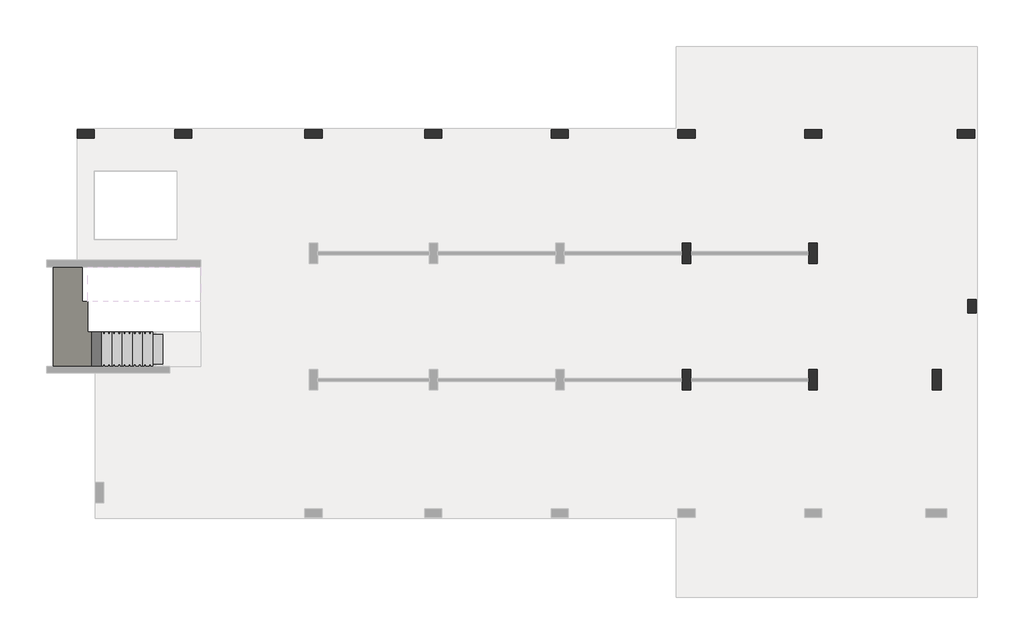
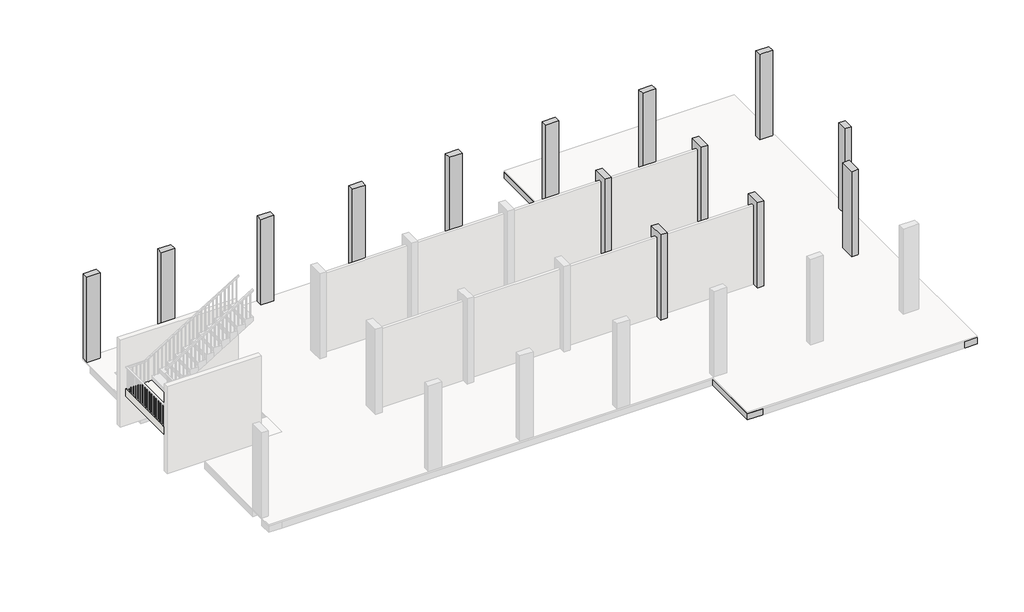
# One storey, part 4 of 5: 37 beams, 14 columns, 1 slab, 1 stair flight.
"""IFC4 building model written with IfcOpenShell, lengths in millimetres."""

from ifc_helpers import new_model, si_unit, frame, origin, place, context, project, spatial, polyline, outline, extrude, faceted_brep, element, save

model = new_model("IFC4")

# Units and contexts
model_context = context("Model", 3, world=origin())
ifc_project = project(units=[si_unit("LENGTHUNIT", "METRE", prefix="MILLI")], contexts=[model_context])

# Site, building, storey
site = spatial("IfcSite", under=ifc_project)
building = spatial("IfcBuilding", under=site)
storey = spatial("IfcBuildingStorey", under=building, Elevation=3500.0)

# Beams
placement = place(None, origin())
element("IfcBeam", 1, ObjectType="B 150 x 250 mm", at=placement, inside=storey, context=model_context, shape_type="SweptSolid", body=[
    extrude(outline(polyline([(18375.0390798, 153.106066), (18225.0390798, 153.106066), (18225.0390798, 2253.106066), (18375.0390798, 2253.106066), (18375.0390798, 153.106066)])), frame((0.0, 0.0, 3200.0), z_axis=(0.0, 0.0, 1.0), x_axis=(1.0, 0.0, 0.0)), (0.0, 0.0, 1.0), 250.0),
])
element("IfcBeam", 2, ObjectType="B 150 x 250 mm", at=placement, inside=storey, context=model_context, shape_type="SweptSolid", body=[
    extrude(outline(polyline([(18925.0390798, 153.106066), (18775.0390798, 153.106066), (18775.0390798, 2253.106066), (18925.0390798, 2253.106066), (18925.0390798, 153.106066)])), frame((0.0, 0.0, 3200.0), z_axis=(0.0, 0.0, 1.0), x_axis=(1.0, 0.0, 0.0)), (0.0, 0.0, 1.0), 250.0),
])
element("IfcBeam", 3, ObjectType="B 150 x 250 mm", at=placement, inside=storey, context=model_context, shape_type="SweptSolid", body=[
    extrude(outline(polyline([(19475.0390798, 153.106066), (19325.0390798, 153.106066), (19325.0390798, 2253.106066), (19475.0390798, 2253.106066), (19475.0390798, 153.106066)])), frame((0.0, 0.0, 3200.0), z_axis=(0.0, 0.0, 1.0), x_axis=(1.0, 0.0, 0.0)), (0.0, 0.0, 1.0), 250.0),
])
element("IfcBeam", 4, ObjectType="B 150 x 250 mm", at=placement, inside=storey, context=model_context, shape_type="SweptSolid", body=[
    extrude(outline(polyline([(20025.0390798, 153.106066), (19875.0390798, 153.106066), (19875.0390798, 2253.106066), (20025.0390798, 2253.106066), (20025.0390798, 153.106066)])), frame((0.0, 0.0, 3200.0), z_axis=(0.0, 0.0, 1.0), x_axis=(1.0, 0.0, 0.0)), (0.0, 0.0, 1.0), 250.0),
])
element("IfcBeam", 5, ObjectType="B 150 x 250 mm", at=placement, inside=storey, context=model_context, shape_type="SweptSolid", body=[
    extrude(outline(polyline([(20575.0390798, 153.106066), (20425.0390798, 153.106066), (20425.0390798, 2253.106066), (20575.0390798, 2253.106066), (20575.0390798, 153.106066)])), frame((0.0, 0.0, 3200.0), z_axis=(0.0, 0.0, 1.0), x_axis=(1.0, 0.0, 0.0)), (0.0, 0.0, 1.0), 250.0),
])
element("IfcBeam", 6, ObjectType="B 150 x 250 mm", at=placement, inside=storey, context=model_context, shape_type="SweptSolid", body=[
    extrude(outline(polyline([(21825.0195763, -346.893934), (21975.0195763, -346.893934), (21975.0195763, -3096.893934), (21825.0195763, -3096.893934), (21825.0195763, -346.893934)])), frame((0.0, 0.0, 3200.0), z_axis=(0.0, 0.0, 1.0), x_axis=(1.0, 0.0, 0.0)), (0.0, 0.0, 1.0), 250.0),
])
element("IfcBeam", 7, ObjectType="B 150 x 250 mm", at=placement, inside=storey, context=model_context, shape_type="SweptSolid", body=[
    extrude(outline(polyline([(22375.0195763, -346.893934), (22525.0195763, -346.893934), (22525.0195763, -3096.893934), (22375.0195763, -3096.893934), (22375.0195763, -346.893934)])), frame((0.0, 0.0, 3200.0), z_axis=(0.0, 0.0, 1.0), x_axis=(1.0, 0.0, 0.0)), (0.0, 0.0, 1.0), 250.0),
])
element("IfcBeam", 8, ObjectType="B 150 x 250 mm", at=placement, inside=storey, context=model_context, shape_type="SweptSolid", body=[
    extrude(outline(polyline([(22925.0195763, -346.893934), (23075.0195763, -346.893934), (23075.0195763, -3096.893934), (22925.0195763, -3096.893934), (22925.0195763, -346.893934)])), frame((0.0, 0.0, 3200.0), z_axis=(0.0, 0.0, 1.0), x_axis=(1.0, 0.0, 0.0)), (0.0, 0.0, 1.0), 250.0),
])
element("IfcBeam", 9, ObjectType="B 150 x 250 mm", at=placement, inside=storey, context=model_context, shape_type="SweptSolid", body=[
    extrude(outline(polyline([(23475.0195763, -346.893934), (23625.0195763, -346.893934), (23625.0195763, -3096.893934), (23475.0195763, -3096.893934), (23475.0195763, -346.893934)])), frame((0.0, 0.0, 3200.0), z_axis=(0.0, 0.0, 1.0), x_axis=(1.0, 0.0, 0.0)), (0.0, 0.0, 1.0), 250.0),
])
element("IfcBeam", 10, ObjectType="B 150 x 250 mm", at=placement, inside=storey, context=model_context, shape_type="SweptSolid", body=[
    extrude(outline(polyline([(24025.0195763, -346.893934), (24175.0195763, -346.893934), (24175.0195763, -3096.893934), (24025.0195763, -3096.893934), (24025.0195763, -346.893934)])), frame((0.0, 0.0, 3200.0), z_axis=(0.0, 0.0, 1.0), x_axis=(1.0, 0.0, 0.0)), (0.0, 0.0, 1.0), 250.0),
])
element("IfcBeam", 11, ObjectType="B 150 x 250 mm", at=placement, inside=storey, context=model_context, shape_type="SweptSolid", body=[
    extrude(outline(polyline([(24575.0195763, -346.893934), (24725.0195763, -346.893934), (24725.0195763, -3096.893934), (24575.0195763, -3096.893934), (24575.0195763, -346.893934)])), frame((0.0, 0.0, 3200.0), z_axis=(0.0, 0.0, 1.0), x_axis=(1.0, 0.0, 0.0)), (0.0, 0.0, 1.0), 250.0),
])
element("IfcBeam", 12, ObjectType="B 150 x 250 mm", at=placement, inside=storey, context=model_context, shape_type="SweptSolid", body=[
    extrude(outline(polyline([(25125.0195763, -346.893934), (25275.0195763, -346.893934), (25275.0195763, -3096.893934), (25125.0195763, -3096.893934), (25125.0195763, -346.893934)])), frame((0.0, 0.0, 3200.0), z_axis=(0.0, 0.0, 1.0), x_axis=(1.0, 0.0, 0.0)), (0.0, 0.0, 1.0), 250.0),
])
element("IfcBeam", 13, ObjectType="B 150 x 250 mm", at=placement, inside=storey, context=model_context, shape_type="SweptSolid", body=[
    extrude(outline(polyline([(18225.0390798, -346.893934), (18375.0390798, -346.893934), (18375.0390798, -3096.893934), (18225.0390798, -3096.893934), (18225.0390798, -346.893934)])), frame((0.0, 0.0, 3200.0), z_axis=(0.0, 0.0, 1.0), x_axis=(1.0, 0.0, 0.0)), (0.0, 0.0, 1.0), 250.0),
])
element("IfcBeam", 14, ObjectType="B 150 x 250 mm", at=placement, inside=storey, context=model_context, shape_type="SweptSolid", body=[
    extrude(outline(polyline([(18775.0390798, -346.893934), (18925.0390798, -346.893934), (18925.0390798, -3096.893934), (18775.0390798, -3096.893934), (18775.0390798, -346.893934)])), frame((0.0, 0.0, 3200.0), z_axis=(0.0, 0.0, 1.0), x_axis=(1.0, 0.0, 0.0)), (0.0, 0.0, 1.0), 250.0),
])
element("IfcBeam", 15, ObjectType="B 150 x 250 mm", at=placement, inside=storey, context=model_context, shape_type="SweptSolid", body=[
    extrude(outline(polyline([(19325.0390798, -346.893934), (19475.0390798, -346.893934), (19475.0390798, -3096.893934), (19325.0390798, -3096.893934), (19325.0390798, -346.893934)])), frame((0.0, 0.0, 3200.0), z_axis=(0.0, 0.0, 1.0), x_axis=(1.0, 0.0, 0.0)), (0.0, 0.0, 1.0), 250.0),
])
element("IfcBeam", 16, ObjectType="B 150 x 250 mm", at=placement, inside=storey, context=model_context, shape_type="SweptSolid", body=[
    extrude(outline(polyline([(19875.0390798, -346.893934), (20025.0390798, -346.893934), (20025.0390798, -3096.893934), (19875.0390798, -3096.893934), (19875.0390798, -346.893934)])), frame((0.0, 0.0, 3200.0), z_axis=(0.0, 0.0, 1.0), x_axis=(1.0, 0.0, 0.0)), (0.0, 0.0, 1.0), 250.0),
])
element("IfcBeam", 17, ObjectType="B 150 x 250 mm", at=placement, inside=storey, context=model_context, shape_type="SweptSolid", body=[
    extrude(outline(polyline([(20425.0390798, -346.893934), (20575.0390798, -346.893934), (20575.0390798, -3096.893934), (20425.0390798, -3096.893934), (20425.0390798, -346.893934)])), frame((0.0, 0.0, 3200.0), z_axis=(0.0, 0.0, 1.0), x_axis=(1.0, 0.0, 0.0)), (0.0, 0.0, 1.0), 250.0),
])
element("IfcBeam", 18, ObjectType="B 150 x 250 mm", at=placement, inside=storey, context=model_context, shape_type="SweptSolid", body=[
    extrude(outline(polyline([(21825.0195763, -3896.893934), (21975.0195763, -3896.893934), (21975.0195763, -6796.8939341), (21825.0195763, -6796.8939341), (21825.0195763, -3896.893934)])), frame((0.0, 0.0, 3200.0), z_axis=(0.0, 0.0, 1.0), x_axis=(1.0, 0.0, 0.0)), (0.0, 0.0, 1.0), 250.0),
])
element("IfcBeam", 19, ObjectType="B 150 x 250 mm", at=placement, inside=storey, context=model_context, shape_type="SweptSolid", body=[
    extrude(outline(polyline([(22375.0195763, -3896.893934), (22525.0195763, -3896.893934), (22525.0195763, -6796.8939341), (22375.0195763, -6796.8939341), (22375.0195763, -3896.893934)])), frame((0.0, 0.0, 3200.0), z_axis=(0.0, 0.0, 1.0), x_axis=(1.0, 0.0, 0.0)), (0.0, 0.0, 1.0), 250.0),
])
element("IfcBeam", 20, ObjectType="B 150 x 250 mm", at=placement, inside=storey, context=model_context, shape_type="SweptSolid", body=[
    extrude(outline(polyline([(22925.0195763, -3896.893934), (23075.0195763, -3896.893934), (23075.0195763, -6796.8939341), (22925.0195763, -6796.8939341), (22925.0195763, -3896.893934)])), frame((0.0, 0.0, 3200.0), z_axis=(0.0, 0.0, 1.0), x_axis=(1.0, 0.0, 0.0)), (0.0, 0.0, 1.0), 250.0),
])
element("IfcBeam", 21, ObjectType="B 150 x 250 mm", at=placement, inside=storey, context=model_context, shape_type="SweptSolid", body=[
    extrude(outline(polyline([(23475.0195763, -3896.893934), (23625.0195763, -3896.893934), (23625.0195763, -6796.8939341), (23475.0195763, -6796.8939341), (23475.0195763, -3896.893934)])), frame((0.0, 0.0, 3200.0), z_axis=(0.0, 0.0, 1.0), x_axis=(1.0, 0.0, 0.0)), (0.0, 0.0, 1.0), 250.0),
])
element("IfcBeam", 22, ObjectType="B 150 x 250 mm", at=placement, inside=storey, context=model_context, shape_type="SweptSolid", body=[
    extrude(outline(polyline([(24025.0195763, -3896.893934), (24175.0195763, -3896.893934), (24175.0195763, -6796.8939341), (24025.0195763, -6796.8939341), (24025.0195763, -3896.893934)])), frame((0.0, 0.0, 3200.0), z_axis=(0.0, 0.0, 1.0), x_axis=(1.0, 0.0, 0.0)), (0.0, 0.0, 1.0), 250.0),
])
element("IfcBeam", 23, ObjectType="B 150 x 250 mm", at=placement, inside=storey, context=model_context, shape_type="SweptSolid", body=[
    extrude(outline(polyline([(24575.0195763, -3896.893934), (24725.0195763, -3896.893934), (24725.0195763, -6796.8939341), (24575.0195763, -6796.8939341), (24575.0195763, -3896.893934)])), frame((0.0, 0.0, 3200.0), z_axis=(0.0, 0.0, 1.0), x_axis=(1.0, 0.0, 0.0)), (0.0, 0.0, 1.0), 250.0),
])
element("IfcBeam", 24, ObjectType="B 150 x 250 mm", at=placement, inside=storey, context=model_context, shape_type="SweptSolid", body=[
    extrude(outline(polyline([(25125.0195763, -3896.893934), (25275.0195763, -3896.893934), (25275.0195763, -6796.8939341), (25125.0195763, -6796.8939341), (25125.0195763, -3896.893934)])), frame((0.0, 0.0, 3200.0), z_axis=(0.0, 0.0, 1.0), x_axis=(1.0, 0.0, 0.0)), (0.0, 0.0, 1.0), 250.0),
])
element("IfcBeam", 25, ObjectType="B 150 x 250 mm", at=placement, inside=storey, context=model_context, shape_type="SweptSolid", body=[
    extrude(outline(polyline([(18225.0390798, -3896.893934), (18375.0390798, -3896.893934), (18375.0390798, -6796.8939341), (18225.0390798, -6796.8939341), (18225.0390798, -3896.893934)])), frame((0.0, 0.0, 3200.0), z_axis=(0.0, 0.0, 1.0), x_axis=(1.0, 0.0, 0.0)), (0.0, 0.0, 1.0), 250.0),
])
element("IfcBeam", 26, ObjectType="B 150 x 250 mm", at=placement, inside=storey, context=model_context, shape_type="SweptSolid", body=[
    extrude(outline(polyline([(18775.0390798, -3896.893934), (18925.0390798, -3896.893934), (18925.0390798, -6796.8939341), (18775.0390798, -6796.8939341), (18775.0390798, -3896.893934)])), frame((0.0, 0.0, 3200.0), z_axis=(0.0, 0.0, 1.0), x_axis=(1.0, 0.0, 0.0)), (0.0, 0.0, 1.0), 250.0),
])
element("IfcBeam", 27, ObjectType="B 150 x 250 mm", at=placement, inside=storey, context=model_context, shape_type="SweptSolid", body=[
    extrude(outline(polyline([(19325.0390798, -3896.893934), (19475.0390798, -3896.893934), (19475.0390798, -6796.8939341), (19325.0390798, -6796.8939341), (19325.0390798, -3896.893934)])), frame((0.0, 0.0, 3200.0), z_axis=(0.0, 0.0, 1.0), x_axis=(1.0, 0.0, 0.0)), (0.0, 0.0, 1.0), 250.0),
])
element("IfcBeam", 28, ObjectType="B 150 x 250 mm", at=placement, inside=storey, context=model_context, shape_type="SweptSolid", body=[
    extrude(outline(polyline([(19875.0390798, -3896.893934), (20025.0390798, -3896.893934), (20025.0390798, -6796.8939341), (19875.0390798, -6796.8939341), (19875.0390798, -3896.893934)])), frame((0.0, 0.0, 3200.0), z_axis=(0.0, 0.0, 1.0), x_axis=(1.0, 0.0, 0.0)), (0.0, 0.0, 1.0), 250.0),
])
element("IfcBeam", 29, ObjectType="B 150 x 250 mm", at=placement, inside=storey, context=model_context, shape_type="SweptSolid", body=[
    extrude(outline(polyline([(20425.0390798, -3896.893934), (20575.0390798, -3896.893934), (20575.0390798, -6796.8939341), (20425.0390798, -6796.8939341), (20425.0390798, -3896.893934)])), frame((0.0, 0.0, 3200.0), z_axis=(0.0, 0.0, 1.0), x_axis=(1.0, 0.0, 0.0)), (0.0, 0.0, 1.0), 250.0),
])
element("IfcBeam", 30, ObjectType="B 150 x 250 mm", at=placement, inside=storey, context=model_context, shape_type="SweptSolid", body=[
    extrude(outline(polyline([(16175.0390798, -346.893934), (16325.0390798, -346.893934), (16325.0390798, -3096.893934), (16175.0390798, -3096.893934), (16175.0390798, -346.893934)])), frame((0.0, 0.0, 3200.0), z_axis=(0.0, 0.0, 1.0), x_axis=(1.0, 0.0, 0.0)), (0.0, 0.0, 1.0), 250.0),
])
element("IfcBeam", 31, ObjectType="B 150 x 250 mm", at=placement, inside=storey, context=model_context, shape_type="SweptSolid", body=[
    extrude(outline(polyline([(16725.0390798, -346.893934), (16875.0390798, -346.893934), (16875.0390798, -3096.893934), (16725.0390798, -3096.893934), (16725.0390798, -346.893934)])), frame((0.0, 0.0, 3200.0), z_axis=(0.0, 0.0, 1.0), x_axis=(1.0, 0.0, 0.0)), (0.0, 0.0, 1.0), 250.0),
])
element("IfcBeam", 32, ObjectType="B 150 x 250 mm", at=placement, inside=storey, context=model_context, shape_type="SweptSolid", body=[
    extrude(outline(polyline([(16175.0390798, -3896.893934), (16325.0390798, -3896.893934), (16325.0390798, -6796.8939341), (16175.0390798, -6796.8939341), (16175.0390798, -3896.893934)])), frame((0.0, 0.0, 3200.0), z_axis=(0.0, 0.0, 1.0), x_axis=(1.0, 0.0, 0.0)), (0.0, 0.0, 1.0), 250.0),
])
element("IfcBeam", 33, ObjectType="B 150 x 250 mm", at=placement, inside=storey, context=model_context, shape_type="SweptSolid", body=[
    extrude(outline(polyline([(16725.0390798, -3896.893934), (16875.0390798, -3896.893934), (16875.0390798, -6796.8939341), (16725.0390798, -6796.8939341), (16725.0390798, -3896.893934)])), frame((0.0, 0.0, 3200.0), z_axis=(0.0, 0.0, 1.0), x_axis=(1.0, 0.0, 0.0)), (0.0, 0.0, 1.0), 250.0),
])
element("IfcBeam", 34, ObjectType="B5 500 x 250 mm", at=placement, inside=storey, context=model_context, shape_type="Brep", body=[
    faceted_brep([(26050.0000727, 2553.106066, 3450.0), (26050.0000727, 2553.106066, 3200.0), (25550.0000727, 2553.106066, 3200.0), (25550.0000727, 2553.106066, 3450.0), (25550.0000727, 2253.106066, 3450.0), (25550.0000727, 153.106066, 3450.0), (25550.0000727, 125.0, 3450.0), (25966.5, 125.0, 3450.0), (25966.5, -125.0, 3450.0), (25550.0000727, -125.0, 3450.0), (25550.0000727, -346.893934, 3450.0), (25550.0000727, -3096.893934, 3450.0), (25550.0000727, -3896.893934, 3450.0), (25550.0000727, -6796.8939341, 3450.0), (25550.0000727, -7596.8939341, 3450.0), (25550.0000727, -10746.893934, 3450.0), (25550.0000727, -11246.893934, 3450.0), (25550.0000727, -13246.8939341, 3450.0), (25550.0000727, -13546.8939341, 3450.0), (26050.0000727, -13546.8939341, 3450.0), (25766.5, -4846.8939341, 3450.0), (26016.5, -4846.8939341, 3450.0), (26016.5, -5246.8939341, 3450.0), (25766.5, -5246.8939341, 3450.0), (25550.0000727, -13546.8939341, 3200.0), (25550.0000727, -125.0, 3200.0), (25550.0000727, -346.893934, 3200.0), (25550.0000727, -3096.893934, 3200.0), (25550.0000727, -3896.893934, 3200.0), (25550.0000727, -6796.8939341, 3200.0), (25550.0000727, -7596.8939341, 3200.0), (25550.0000727, -10746.893934, 3200.0), (25550.0000727, -11246.893934, 3200.0), (25550.0000727, -13246.8939341, 3200.0), (26050.0000727, -13546.8939341, 3200.0), (25966.5, -125.0, 3200.0), (25966.5, 125.0, 3200.0), (25550.0000727, 125.0, 3200.0), (25550.0000727, 153.106066, 3200.0), (25550.0000727, 2253.106066, 3200.0), (26016.5, -4846.8939341, 3200.0), (25766.5, -4846.8939341, 3200.0), (25766.5, -5246.8939341, 3200.0), (26016.5, -5246.8939341, 3200.0)], [[[0, 1, 2, 3]], [[0, 3, 4, 5, 6, 7, 8, 9, 10, 11, 12, 13, 14, 15, 16, 17, 18, 19], [20, 21, 22, 23]], [[24, 18, 17, 16, 15, 14, 13, 12, 11, 10, 9, 25, 26, 27, 28, 29, 30, 31, 32, 33]], [[2, 1, 34, 24, 33, 32, 31, 30, 29, 28, 27, 26, 25, 35, 36, 37, 38, 39], [40, 41, 42, 43]], [[1, 0, 19, 34]], [[40, 21, 20, 41]], [[41, 20, 23, 42]], [[21, 40, 43, 22]], [[8, 35, 25, 9]], [[35, 8, 7, 36]], [[36, 7, 6, 37]], [[3, 2, 39, 38, 37, 6, 5, 4]], [[22, 43, 42, 23]], [[19, 18, 24, 34]]]),
])
element("IfcBeam", 35, ObjectType="B6 600 x 250 mm", at=placement, inside=storey, context=model_context, shape_type="Brep", body=[
    faceted_brep([(17250.0390798, 2553.106066, 3450.0), (17850.0390798, 2553.106066, 3450.0), (17850.0390798, 2553.106066, 3200.0), (17250.0390798, 2553.106066, 3200.0), (17250.0390798, 153.106066, 3450.0), (17850.0390798, 153.106066, 3450.0), (17850.0390798, 2253.106066, 3450.0), (17850.0390798, 153.106066, 3200.0), (17850.0390798, 2253.106066, 3200.0), (17250.0390798, 153.106066, 3200.0)], [[[0, 1, 2, 3]], [[1, 0, 4, 5, 6]], [[2, 1, 6, 5, 7, 8]], [[3, 2, 8, 7, 9]], [[0, 3, 9, 4]], [[5, 4, 9, 7]]]),
    faceted_brep([(17250.0390798, -13546.8939341, 3450.0), (17250.0390798, -13546.8939341, 3200.0), (17850.0390798, -13546.8939341, 3200.0), (17850.0390798, -13546.8939341, 3450.0), (17250.0390798, -11246.893934, 3450.0), (17850.0390798, -11246.893934, 3450.0), (17850.0390798, -11246.893934, 3200.0), (17250.0390798, -11246.893934, 3200.0), (17850.0390798, -13246.8939341, 3450.0), (17850.0390798, -13246.8939341, 3200.0)], [[[0, 1, 2, 3]], [[4, 5, 6, 7]], [[0, 3, 8, 5, 4]], [[3, 2, 9, 6, 5, 8]], [[2, 1, 7, 6, 9]], [[1, 0, 4, 7]]]),
    faceted_brep([(17850.0390798, -10746.893934, 3450.0), (17250.0390798, -10746.893934, 3450.0), (17250.0390798, -10746.893934, 3200.0), (17850.0390798, -10746.893934, 3200.0), (17250.0390798, -7596.8939341, 3450.0), (17850.0390798, -7596.8939341, 3450.0), (17850.0390798, -7596.8939341, 3200.0), (17250.0390798, -7596.8939341, 3200.0)], [[[0, 1, 2, 3]], [[4, 5, 6, 7]], [[1, 0, 5, 4]], [[0, 3, 6, 5]], [[3, 2, 7, 6]], [[2, 1, 4, 7]]]),
    faceted_brep([(17850.0390798, -6796.8939341, 3450.0), (17250.0390798, -6796.8939341, 3450.0), (17250.0390798, -6796.8939341, 3200.0), (17850.0390798, -6796.8939341, 3200.0), (17250.0390798, -3896.893934, 3450.0), (17850.0390798, -3896.893934, 3450.0), (17850.0390798, -3896.893934, 3200.0), (17250.0390798, -3896.893934, 3200.0)], [[[0, 1, 2, 3]], [[4, 5, 6, 7]], [[1, 0, 5, 4]], [[0, 3, 6, 5]], [[3, 2, 7, 6]], [[2, 1, 4, 7]]]),
    faceted_brep([(17850.0390798, -3096.893934, 3450.0), (17250.0390798, -3096.893934, 3450.0), (17250.0390798, -3096.893934, 3200.0), (17850.0390798, -3096.893934, 3200.0), (17250.0390798, -346.893934, 3450.0), (17850.0390798, -346.893934, 3450.0), (17850.0390798, -346.893934, 3200.0), (17250.0390798, -346.893934, 3200.0)], [[[0, 1, 2, 3]], [[4, 5, 6, 7]], [[1, 0, 5, 4]], [[0, 3, 6, 5]], [[3, 2, 7, 6]], [[2, 1, 4, 7]]]),
])
element("IfcBeam", 36, ObjectType="B6 600 x 250 mm", at=placement, inside=storey, context=model_context, shape_type="Brep", body=[
    faceted_brep([(20950.0390798, 2553.106066, 3450.0), (21550.0390798, 2553.106066, 3450.0), (21550.0390798, 2553.106066, 3200.0), (20950.0390798, 2553.106066, 3200.0), (20950.0390798, 2253.106066, 3450.0), (20950.0390798, 153.106066, 3450.0), (21550.0390798, 153.106066, 3450.0), (21550.0390798, 2253.106066, 3450.0), (21550.0390798, 153.106066, 3200.0), (21550.0390798, 2253.106066, 3200.0), (20950.0390798, 153.106066, 3200.0), (20950.0390798, 2253.106066, 3200.0)], [[[0, 1, 2, 3]], [[1, 0, 4, 5, 6, 7]], [[2, 1, 7, 6, 8, 9]], [[3, 2, 9, 8, 10, 11]], [[0, 3, 11, 10, 5, 4]], [[6, 5, 10, 8]]]),
    faceted_brep([(20950.0390798, -11246.893934, 3450.0), (21550.0390798, -11246.893934, 3450.0), (21550.0390798, -11246.893934, 3200.0), (20950.0390798, -11246.893934, 3200.0), (20950.0390798, -13246.8939341, 3450.0), (21550.0390798, -13246.8939341, 3450.0), (21550.0390798, -13246.8939341, 3200.0), (20950.0390798, -13246.8939341, 3200.0)], [[[0, 1, 2, 3]], [[1, 0, 4, 5]], [[2, 1, 5, 6]], [[3, 2, 6, 7]], [[0, 3, 7, 4]], [[5, 4, 7, 6]]]),
    faceted_brep([(21550.0390798, -10746.893934, 3450.0), (20950.0390798, -10746.893934, 3450.0), (20950.0390798, -10746.893934, 3200.0), (21550.0390798, -10746.893934, 3200.0), (20950.0390798, -7596.8939341, 3450.0), (21550.0390798, -7596.8939341, 3450.0), (21550.0390798, -7596.8939341, 3200.0), (20950.0390798, -7596.8939341, 3200.0)], [[[0, 1, 2, 3]], [[4, 5, 6, 7]], [[1, 0, 5, 4]], [[0, 3, 6, 5]], [[3, 2, 7, 6]], [[2, 1, 4, 7]]]),
    faceted_brep([(21550.0390798, -6796.8939341, 3450.0), (20950.0390798, -6796.8939341, 3450.0), (20950.0390798, -6796.8939341, 3200.0), (21550.0390798, -6796.8939341, 3200.0), (20950.0390798, -3896.893934, 3450.0), (21550.0390798, -3896.893934, 3450.0), (21550.0390798, -3896.893934, 3200.0), (20950.0390798, -3896.893934, 3200.0)], [[[0, 1, 2, 3]], [[4, 5, 6, 7]], [[1, 0, 5, 4]], [[0, 3, 6, 5]], [[3, 2, 7, 6]], [[2, 1, 4, 7]]]),
    faceted_brep([(21550.0390798, -3096.893934, 3450.0), (20950.0390798, -3096.893934, 3450.0), (20950.0390798, -3096.893934, 3200.0), (21550.0390798, -3096.893934, 3200.0), (20950.0390798, -346.893934, 3450.0), (21550.0390798, -346.893934, 3450.0), (21550.0390798, -346.893934, 3200.0), (20950.0390798, -346.893934, 3200.0)], [[[0, 1, 2, 3]], [[4, 5, 6, 7]], [[1, 0, 5, 4]], [[0, 3, 6, 5]], [[3, 2, 7, 6]], [[2, 1, 4, 7]]]),
])
element("IfcBeam", 37, ObjectType="B7 300 x 250 mm", at=placement, inside=storey, context=model_context, shape_type="Brep", body=[
    faceted_brep([(25550.0000727, 2553.106066, 3450.0), (25550.0000727, 2253.106066, 3450.0), (25550.0000727, 2253.106066, 3200.0), (25550.0000727, 2553.106066, 3200.0), (21550.0390798, 2553.106066, 3450.0), (21550.0390798, 2253.106066, 3450.0), (21825.0195763, 2253.106066, 3450.0), (21975.0195763, 2253.106066, 3450.0), (22375.0195763, 2253.106066, 3450.0), (22525.0195763, 2253.106066, 3450.0), (22925.0195763, 2253.106066, 3450.0), (23075.0195763, 2253.106066, 3450.0), (23475.0195763, 2253.106066, 3450.0), (23625.0195763, 2253.106066, 3450.0), (24025.0195763, 2253.106066, 3450.0), (24175.0195763, 2253.106066, 3450.0), (24575.0195763, 2253.106066, 3450.0), (24725.0195763, 2253.106066, 3450.0), (25125.0195763, 2253.106066, 3450.0), (25275.0195763, 2253.106066, 3450.0), (21550.0390798, 2253.106066, 3200.0), (21825.0195763, 2253.106066, 3200.0), (21975.0195763, 2253.106066, 3200.0), (22375.0195763, 2253.106066, 3200.0), (22525.0195763, 2253.106066, 3200.0), (22925.0195763, 2253.106066, 3200.0), (23075.0195763, 2253.106066, 3200.0), (23475.0195763, 2253.106066, 3200.0), (23625.0195763, 2253.106066, 3200.0), (24025.0195763, 2253.106066, 3200.0), (24175.0195763, 2253.106066, 3200.0), (24575.0195763, 2253.106066, 3200.0), (24725.0195763, 2253.106066, 3200.0), (25125.0195763, 2253.106066, 3200.0), (25275.0195763, 2253.106066, 3200.0), (21550.0390798, 2553.106066, 3200.0)], [[[0, 1, 2, 3]], [[1, 0, 4, 5, 6, 7, 8, 9, 10, 11, 12, 13, 14, 15, 16, 17, 18, 19]], [[2, 1, 19, 18, 17, 16, 15, 14, 13, 12, 11, 10, 9, 8, 7, 6, 5, 20, 21, 22, 23, 24, 25, 26, 27, 28, 29, 30, 31, 32, 33, 34]], [[3, 2, 34, 33, 32, 31, 30, 29, 28, 27, 26, 25, 24, 23, 22, 21, 20, 35]], [[0, 3, 35, 4]], [[5, 4, 35, 20]]]),
    faceted_brep([(17850.0390798, 2553.106066, 3450.0), (17850.0390798, 2553.106066, 3200.0), (17850.0390798, 2253.106066, 3200.0), (17850.0390798, 2253.106066, 3450.0), (20950.0390798, 2553.106066, 3450.0), (20950.0390798, 2253.106066, 3450.0), (20950.0390798, 2253.106066, 3200.0), (20950.0390798, 2553.106066, 3200.0), (18225.0390798, 2253.106066, 3450.0), (18375.0390798, 2253.106066, 3450.0), (18775.0390798, 2253.106066, 3450.0), (18925.0390798, 2253.106066, 3450.0), (19325.0390798, 2253.106066, 3450.0), (19475.0390798, 2253.106066, 3450.0), (19875.0390798, 2253.106066, 3450.0), (20025.0390798, 2253.106066, 3450.0), (20425.0390798, 2253.106066, 3450.0), (20575.0390798, 2253.106066, 3450.0), (18225.0390798, 2253.106066, 3200.0), (18375.0390798, 2253.106066, 3200.0), (18775.0390798, 2253.106066, 3200.0), (18925.0390798, 2253.106066, 3200.0), (19325.0390798, 2253.106066, 3200.0), (19475.0390798, 2253.106066, 3200.0), (19875.0390798, 2253.106066, 3200.0), (20025.0390798, 2253.106066, 3200.0), (20425.0390798, 2253.106066, 3200.0), (20575.0390798, 2253.106066, 3200.0)], [[[0, 1, 2, 3]], [[4, 5, 6, 7]], [[0, 3, 8, 9, 10, 11, 12, 13, 14, 15, 16, 17, 5, 4]], [[3, 2, 18, 19, 20, 21, 22, 23, 24, 25, 26, 27, 6, 5, 17, 16, 15, 14, 13, 12, 11, 10, 9, 8]], [[2, 1, 7, 6, 27, 26, 25, 24, 23, 22, 21, 20, 19, 18]], [[1, 0, 4, 7]]]),
])

# Columns
element("IfcColumn", 38, ObjectType="C1 25 x 50mm", at=placement, inside=storey, context=model_context, shape_type="SweptSolid", body=[
    extrude(outline(polyline([(-250.0, 128.106066), (250.0, 128.106066), (250.0, -121.893934), (-250.0, -121.893934), (-250.0, 128.106066)])), frame((0.0, 0.0, 3500.0), z_axis=(0.0, 0.0, 1.0), x_axis=(1.0, 0.0, 0.0)), (0.0, 0.0, 1.0), 3450.0),
])
element("IfcColumn", 39, ObjectType="C1 25 x 50mm", at=placement, inside=storey, context=model_context, shape_type="SweptSolid", body=[
    extrude(outline(polyline([(2600.0, 128.106066), (3100.0, 128.106066), (3100.0, -121.893934), (2600.0, -121.893934), (2600.0, 128.106066)])), frame((0.0, 0.0, 3500.0), z_axis=(0.0, 0.0, 1.0), x_axis=(1.0, 0.0, 0.0)), (0.0, 0.0, 1.0), 3450.0),
])
element("IfcColumn", 40, ObjectType="C1 25 x 50mm", at=placement, inside=storey, context=model_context, shape_type="SweptSolid", body=[
    extrude(outline(polyline([(6400.0390798, 128.106066), (6900.0390798, 128.106066), (6900.0390798, -121.893934), (6400.0390798, -121.893934), (6400.0390798, 128.106066)])), frame((0.0, 0.0, 3500.0), z_axis=(0.0, 0.0, 1.0), x_axis=(1.0, 0.0, 0.0)), (0.0, 0.0, 1.0), 3450.0),
])
element("IfcColumn", 41, ObjectType="C1 25 x 50mm", at=placement, inside=storey, context=model_context, shape_type="SweptSolid", body=[
    extrude(outline(polyline([(9900.0390798, 128.106066), (10400.0390798, 128.106066), (10400.0390798, -121.893934), (9900.0390798, -121.893934), (9900.0390798, 128.106066)])), frame((0.0, 0.0, 3500.0), z_axis=(0.0, 0.0, 1.0), x_axis=(1.0, 0.0, 0.0)), (0.0, 0.0, 1.0), 3450.0),
])
element("IfcColumn", 42, ObjectType="C1 25 x 50mm", at=placement, inside=storey, context=model_context, shape_type="SweptSolid", body=[
    extrude(outline(polyline([(13600.0390798, 128.106066), (14100.0390798, 128.106066), (14100.0390798, -121.893934), (13600.0390798, -121.893934), (13600.0390798, 128.106066)])), frame((0.0, 0.0, 3500.0), z_axis=(0.0, 0.0, 1.0), x_axis=(1.0, 0.0, 0.0)), (0.0, 0.0, 1.0), 3450.0),
])
element("IfcColumn", 43, ObjectType="C1 25 x 50mm", at=placement, inside=storey, context=model_context, shape_type="SweptSolid", body=[
    extrude(outline(polyline([(17300.0390798, 128.106066), (17800.0390798, 128.106066), (17800.0390798, -121.893934), (17300.0390798, -121.893934), (17300.0390798, 128.106066)])), frame((0.0, 0.0, 3500.0), z_axis=(0.0, 0.0, 1.0), x_axis=(1.0, 0.0, 0.0)), (0.0, 0.0, 1.0), 3450.0),
])
element("IfcColumn", 44, ObjectType="C1 25 x 50mm", at=placement, inside=storey, context=model_context, shape_type="SweptSolid", body=[
    extrude(outline(polyline([(21000.0390798, 128.106066), (21500.0390798, 128.106066), (21500.0390798, -121.893934), (21000.0390798, -121.893934), (21000.0390798, 128.106066)])), frame((0.0, 0.0, 3500.0), z_axis=(0.0, 0.0, 1.0), x_axis=(1.0, 0.0, 0.0)), (0.0, 0.0, 1.0), 3450.0),
])
element("IfcColumn", 45, ObjectType="C1 25 x 50mm", at=placement, inside=storey, context=model_context, shape_type="Brep", body=[
    faceted_brep([(25466.5, 125.0, 3500.0), (25966.5, 125.0, 3500.0), (25966.5, -125.0, 3500.0), (25466.5, -125.0, 3500.0), (25466.5, -125.0, 6950.0), (25466.5, 125.0, 6950.0), (25966.5, -125.0, 6700.0), (25966.5, -125.0, 6950.0), (25550.0000727, -125.0, 6950.0), (25966.5, 125.0, 6700.0), (25966.5, 125.0, 6950.0), (25550.0000727, 125.0, 6950.0)], [[[0, 1, 2, 3]], [[0, 3, 4, 5]], [[3, 2, 6, 7, 8, 4]], [[2, 1, 9, 10, 7, 6]], [[1, 0, 5, 11, 10, 9]], [[5, 4, 8, 7, 10, 11]]]),
])
element("IfcColumn", 46, ObjectType="C2 25 x 60 mm", at=placement, inside=storey, context=model_context, shape_type="Brep", body=[
    faceted_brep([(17675.0390798, -3195.451857, 3500.0), (17675.0390798, -3445.451857, 3500.0), (17675.0390798, -3545.451857, 3500.0), (17675.0390798, -3795.451857, 3500.0), (17425.0390798, -3795.451857, 3500.0), (17425.0390798, -3545.451857, 3500.0), (17425.0390798, -3445.451857, 3500.0), (17425.0390798, -3195.451857, 3500.0), (17425.0390798, -3195.451857, 6700.0), (17425.0390798, -3195.451857, 6950.0), (17675.0390798, -3195.451857, 6950.0), (17675.0390798, -3195.451857, 6700.0), (17425.0390798, -3795.451857, 6700.0), (17425.0390798, -3795.451857, 6950.0), (17675.0390798, -3795.451857, 6700.0), (17675.0390798, -3795.451857, 6950.0)], [[[0, 1, 2, 3, 4, 5, 6, 7]], [[0, 7, 8, 9, 10, 11]], [[7, 6, 5, 4, 12, 13, 9, 8]], [[4, 3, 14, 15, 13, 12]], [[3, 2, 1, 0, 11, 10, 15, 14]], [[10, 9, 13, 15]]]),
])
element("IfcColumn", 47, ObjectType="C2 25 x 60 mm", at=placement, inside=storey, context=model_context, shape_type="Brep", body=[
    faceted_brep([(24985.2850434, -6896.8939341, 3500.0), (24985.2850434, -7496.8939341, 3500.0), (24735.2850434, -7496.8939341, 3500.0), (24735.2850434, -6896.8939341, 3500.0), (24735.2850434, -6896.8939341, 6700.0), (24735.2850434, -6896.8939341, 6950.0), (24985.2850434, -6896.8939341, 6950.0), (24985.2850434, -6896.8939341, 6700.0), (24735.2850434, -7496.8939341, 6700.0), (24735.2850434, -7496.8939341, 6950.0), (24985.2850434, -7496.8939341, 6700.0), (24985.2850434, -7496.8939341, 6950.0)], [[[0, 1, 2, 3]], [[0, 3, 4, 5, 6, 7]], [[3, 2, 8, 9, 5, 4]], [[2, 1, 10, 11, 9, 8]], [[1, 0, 7, 6, 11, 10]], [[6, 5, 9, 11]]]),
])
element("IfcColumn", 48, ObjectType="C2 25 x 60 mm", at=placement, inside=storey, context=model_context, shape_type="Brep", body=[
    faceted_brep([(21375.0390798, -6896.8939341, 3500.0), (21375.0390798, -7496.8939341, 3500.0), (21125.0390798, -7496.8939341, 3500.0), (21125.0390798, -7246.8939341, 3500.0), (21125.0390798, -7146.8939341, 3500.0), (21125.0390798, -6896.8939341, 3500.0), (21125.0390798, -6896.8939341, 6700.0), (21125.0390798, -6896.8939341, 6950.0), (21375.0390798, -6896.8939341, 6950.0), (21375.0390798, -6896.8939341, 6700.0), (21125.0390798, -7496.8939341, 6700.0), (21125.0390798, -7496.8939341, 6950.0), (21375.0390798, -7496.8939341, 6700.0), (21375.0390798, -7496.8939341, 6950.0)], [[[0, 1, 2, 3, 4, 5]], [[0, 5, 6, 7, 8, 9]], [[5, 4, 3, 2, 10, 11, 7, 6]], [[2, 1, 12, 13, 11, 10]], [[1, 0, 9, 8, 13, 12]], [[8, 7, 11, 13]]]),
])
element("IfcColumn", 49, ObjectType="C2 25 x 60 mm", at=placement, inside=storey, context=model_context, shape_type="Brep", body=[
    faceted_brep([(17675.0390798, -6896.8939341, 3500.0), (17675.0390798, -7146.8939341, 3500.0), (17675.0390798, -7246.8939341, 3500.0), (17675.0390798, -7496.8939341, 3500.0), (17425.0390798, -7496.8939341, 3500.0), (17425.0390798, -7246.8939341, 3500.0), (17425.0390798, -7146.8939341, 3500.0), (17425.0390798, -6896.8939341, 3500.0), (17425.0390798, -6896.8939341, 6700.0), (17425.0390798, -6896.8939341, 6950.0), (17675.0390798, -6896.8939341, 6950.0), (17675.0390798, -6896.8939341, 6700.0), (17425.0390798, -7496.8939341, 6700.0), (17425.0390798, -7496.8939341, 6950.0), (17675.0390798, -7496.8939341, 6700.0), (17675.0390798, -7496.8939341, 6950.0)], [[[0, 1, 2, 3, 4, 5, 6, 7]], [[0, 7, 8, 9, 10, 11]], [[7, 6, 5, 4, 12, 13, 9, 8]], [[4, 3, 14, 15, 13, 12]], [[3, 2, 1, 0, 11, 10, 15, 14]], [[10, 9, 13, 15]]]),
])
element("IfcColumn", 50, ObjectType="C2 25 x 60 mm", at=placement, inside=storey, context=model_context, shape_type="Brep", body=[
    faceted_brep([(21375.0390798, -3195.451857, 3500.0), (21375.0390798, -3795.451857, 3500.0), (21125.0390798, -3795.451857, 3500.0), (21125.0390798, -3545.451857, 3500.0), (21125.0390798, -3445.451857, 3500.0), (21125.0390798, -3195.451857, 3500.0), (21125.0390798, -3195.451857, 6700.0), (21125.0390798, -3195.451857, 6950.0), (21375.0390798, -3195.451857, 6950.0), (21375.0390798, -3195.451857, 6700.0), (21125.0390798, -3795.451857, 6700.0), (21125.0390798, -3795.451857, 6950.0), (21375.0390798, -3795.451857, 6700.0), (21375.0390798, -3795.451857, 6950.0)], [[[0, 1, 2, 3, 4, 5]], [[0, 5, 6, 7, 8, 9]], [[5, 4, 3, 2, 10, 11, 7, 6]], [[2, 1, 12, 13, 11, 10]], [[1, 0, 9, 8, 13, 12]], [[8, 7, 11, 13]]]),
])
element("IfcColumn", 51, ObjectType="C3 25 x 40 mm", at=placement, inside=storey, context=model_context, shape_type="Brep", body=[
    faceted_brep([(26016.5, -4846.8939341, 3500.0), (26016.5, -5246.8939341, 3500.0), (25766.5, -5246.8939341, 3500.0), (25766.5, -4846.8939341, 3500.0), (25766.5, -4846.8939341, 6700.0), (25766.5, -4846.8939341, 6950.0), (26016.5, -4846.8939341, 6950.0), (26016.5, -4846.8939341, 6700.0), (25766.5, -5246.8939341, 6700.0), (25766.5, -5246.8939341, 6950.0), (26016.5, -5246.8939341, 6700.0), (26016.5, -5246.8939341, 6950.0)], [[[0, 1, 2, 3]], [[0, 3, 4, 5, 6, 7]], [[3, 2, 8, 9, 5, 4]], [[2, 1, 10, 11, 9, 8]], [[1, 0, 7, 6, 11, 10]], [[6, 5, 9, 11]]]),
])

# Slab
element("IfcSlab", 52, at=placement, inside=storey, context=model_context, shape_type="Brep", body=[
    faceted_brep([(150.0, -6796.8939341, 4973.6842105), (150.0, -5796.8939341, 4973.6842105), (51.908717, -5796.8939341, 4973.6842105), (50.0, -5796.8939341, 4973.6842105), (50.0, -4896.893934, 4973.6842105), (50.0, -3896.893934, 4973.6842105), (-151.908717, -3896.893934, 4973.6842105), (-950.0, -3896.893934, 4973.6842105), (-950.0, -6796.8939341, 4973.6842105), (51.908717, -6796.8939341, 4973.6842105), (150.0, -6796.8939341, 4789.4736842), (150.0, -6796.8939341, 4613.452721), (150.0, -5796.8939341, 4613.452721), (150.0, -5796.8939341, 4789.4736842), (51.908717, -5796.8939341, 4673.6842105), (50.0, -5796.8939341, 4673.6842105), (50.0, -4896.893934, 4673.6842105), (50.0, -4896.893934, 4797.6632473), (50.0, -3896.893934, 4797.6632473), (-151.908717, -3896.893934, 4673.6842105), (-950.0, -3896.893934, 4673.6842105), (-950.0, -6796.8939341, 4673.6842105), (51.908717, -6796.8939341, 4673.6842105), (-151.908717, -4896.893934, 4673.6842105)], [[[0, 1, 2, 3, 4, 5, 6, 7, 8, 9]], [[1, 0, 10, 11, 12, 13]], [[1, 13, 12, 14, 15, 3, 2]], [[4, 3, 15, 16, 17]], [[5, 4, 17, 18]], [[5, 18, 19, 20, 7, 6]], [[8, 7, 20, 21]], [[11, 10, 0, 9, 8, 21, 22]], [[23, 16, 15, 14, 22, 21, 20, 19]], [[16, 23, 17]], [[22, 14, 12, 11]], [[23, 19, 18, 17]]]),
])

# Stair flight
element("IfcStairFlight", 53, ObjectType="Nez de marche 25 mm", at=placement, inside=storey, context=model_context, shape_type="Brep", body=[
    faceted_brep([(1950.0, -6796.8939341, 3684.2105263), (2250.0, -6796.8939341, 3684.2105263), (2250.0, -5796.8939341, 3684.2105263), (1950.0, -5796.8939341, 3684.2105263), (1950.0, -6796.8939341, 3508.1895631), (1963.3372884, -6796.8939341, 3500.0), (2250.0, -6796.8939341, 3500.0), (2250.0, -5796.8939341, 3500.0), (1963.3372884, -5796.8939341, 3500.0), (1950.0, -5796.8939341, 3508.1895631), (1650.0, -6796.8939341, 3868.4210526), (1950.0, -6796.8939341, 3868.4210526), (1950.0, -5796.8939341, 3868.4210526), (1650.0, -5796.8939341, 3868.4210526), (1650.0, -6796.8939341, 3692.4000894), (1650.0, -5796.8939341, 3692.4000894), (1350.0, -6796.8939341, 4052.6315789), (1650.0, -6796.8939341, 4052.6315789), (1650.0, -5796.8939341, 4052.6315789), (1350.0, -5796.8939341, 4052.6315789), (1350.0, -6796.8939341, 3876.6106157), (1350.0, -5796.8939341, 3876.6106157), (1050.0, -6796.8939341, 4236.8421053), (1350.0, -6796.8939341, 4236.8421053), (1350.0, -5796.8939341, 4236.8421053), (1050.0, -5796.8939341, 4236.8421053), (1050.0, -6796.8939341, 4060.821142), (1050.0, -5796.8939341, 4060.821142), (750.0, -6796.8939341, 4421.0526316), (1050.0, -6796.8939341, 4421.0526316), (1050.0, -5796.8939341, 4421.0526316), (750.0, -5796.8939341, 4421.0526316), (750.0, -6796.8939341, 4245.0316683), (750.0, -5796.8939341, 4245.0316683), (450.0, -6796.8939341, 4605.2631579), (750.0, -6796.8939341, 4605.2631579), (750.0, -5796.8939341, 4605.2631579), (450.0, -5796.8939341, 4605.2631579), (450.0, -6796.8939341, 4429.2421947), (450.0, -5796.8939341, 4429.2421947), (150.0, -6796.8939341, 4613.452721), (150.0, -5796.8939341, 4613.452721), (150.0, -6796.8939341, 4789.4736842), (450.0, -6796.8939341, 4789.4736842), (450.0, -5796.8939341, 4789.4736842), (150.0, -5796.8939341, 4789.4736842)], [[[0, 1, 2, 3]], [[1, 0, 4, 5, 6]], [[2, 1, 6, 7]], [[3, 2, 7, 8, 9]], [[10, 11, 12, 13]], [[11, 10, 14, 4, 0]], [[0, 3, 12, 11]], [[13, 12, 3, 9, 15]], [[16, 17, 18, 19]], [[17, 16, 20, 14, 10]], [[10, 13, 18, 17]], [[19, 18, 13, 15, 21]], [[22, 23, 24, 25]], [[23, 22, 26, 20, 16]], [[16, 19, 24, 23]], [[25, 24, 19, 21, 27]], [[28, 29, 30, 31]], [[29, 28, 32, 26, 22]], [[22, 25, 30, 29]], [[31, 30, 25, 27, 33]], [[34, 35, 36, 37]], [[35, 34, 38, 32, 28]], [[28, 31, 36, 35]], [[37, 36, 31, 33, 39]], [[7, 6, 5, 8]], [[8, 5, 4, 14, 20, 26, 32, 38, 40, 41, 39, 33, 27, 21, 15, 9]], [[42, 43, 44, 45]], [[43, 42, 40, 38, 34]], [[34, 37, 44, 43]], [[45, 44, 37, 39, 41]], [[42, 45, 41, 40]]]),
])

save(model, "model.ifc")
